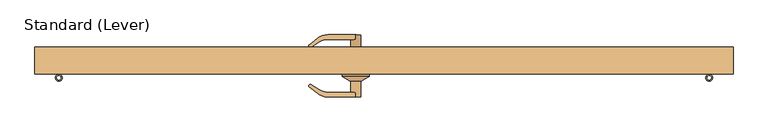
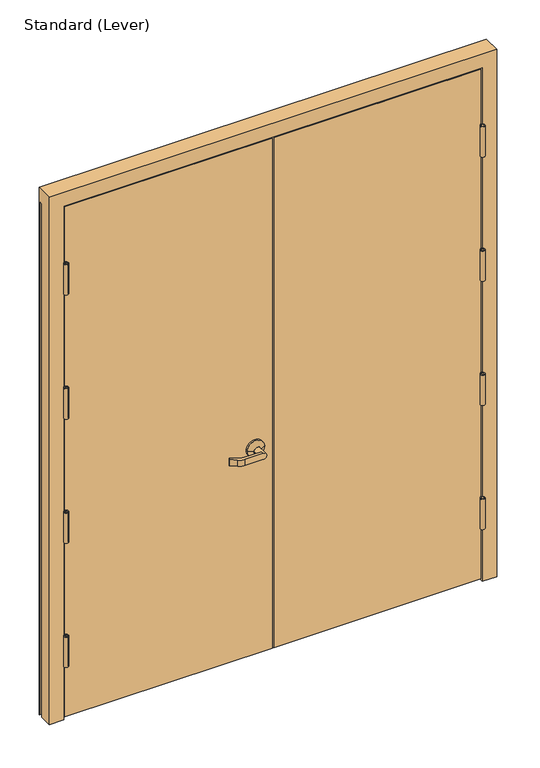
"""IFC4 building model written with IfcOpenShell, lengths in millimetres: door geometry, Standard (Lever)."""

from ifc_helpers import new_model, si_unit, point, frame, frame_2d, origin, place, context, project, spatial, polyline, circle_curve, trimmed, segment, composite_curve, outline, extrude, faceted_brep, source, transform, mapped, element, save
from ifc_brep_helpers import plane_surface, cylinder_surface, revolved_surface, advanced_brep


def standard_lever_46eb6b7c(model_context):
    return source(origin(), model_context, "Body", "SolidModel", [
        extrude(outline(composite_curve([segment(polyline([(909.6375, 7.14375), (912.01875, 7.14375), (912.01875, -35.1565274)]), True, "CONTINUOUS"), segment(trimmed(circle_curve(frame_2d((904.2351957, -35.1565274)), 7.7835543), [point((912.01875, -35.1565274))], [point((907.6729512, -42.1397612))], False, "CARTESIAN"), True, "CONTINUOUS"), segment(trimmed(circle_curve(frame_2d((910.828125, -48.5489767)), 7.14375), [point((907.6729512, -42.1397612))], [point((911.2096421, -41.4154215))], True, "CARTESIAN"), True, "CONTINUOUS"), segment(trimmed(circle_curve(frame_2d((904.2351957, -35.1565274)), 9.3710543), [point((911.2096421, -41.4154215))], [point((912.6857214, -39.2068698))], True, "CARTESIAN"), True, "CONTINUOUS"), segment(trimmed(circle_curve(frame_2d((910.828125, -48.5489767)), 9.525), [point((912.6857214, -39.2068698))], [point((906.6212267, -40.0033561))], False, "CARTESIAN"), True, "CONTINUOUS"), segment(trimmed(circle_curve(frame_2d((904.2351957, -35.1565274)), 5.4023043), [point((906.6212267, -40.0033561))], [point((909.6375, -35.1565274))], True, "CARTESIAN"), True, "CONTINUOUS"), segment(polyline([(909.6375, -35.1565274), (909.6375, 7.14375)]), True, "CONTINUOUS")], self_intersect=False)), frame((0.0, 0.0, 1402.2916667), z_axis=(0.0, 0.0, 1.0), x_axis=(1.0, 0.0, 0.0)), (0.0, 0.0, 1.0), 139.7),
        extrude(outline(composite_curve([segment(polyline([(909.6375, 7.14375), (912.01875, 7.14375), (912.01875, -35.1565274)]), True, "CONTINUOUS"), segment(trimmed(circle_curve(frame_2d((904.2351957, -35.1565274)), 7.7835543), [point((912.01875, -35.1565274))], [point((907.6729512, -42.1397612))], False, "CARTESIAN"), True, "CONTINUOUS"), segment(trimmed(circle_curve(frame_2d((910.828125, -48.5489767)), 7.14375), [point((907.6729512, -42.1397612))], [point((911.2096421, -41.4154215))], True, "CARTESIAN"), True, "CONTINUOUS"), segment(trimmed(circle_curve(frame_2d((904.2351957, -35.1565274)), 9.3710543), [point((911.2096421, -41.4154215))], [point((912.6857214, -39.2068698))], True, "CARTESIAN"), True, "CONTINUOUS"), segment(trimmed(circle_curve(frame_2d((910.828125, -48.5489767)), 9.525), [point((912.6857214, -39.2068698))], [point((906.6212267, -40.0033561))], False, "CARTESIAN"), True, "CONTINUOUS"), segment(trimmed(circle_curve(frame_2d((904.2351957, -35.1565274)), 5.4023043), [point((906.6212267, -40.0033561))], [point((909.6375, -35.1565274))], True, "CARTESIAN"), True, "CONTINUOUS"), segment(polyline([(909.6375, -35.1565274), (909.6375, 7.14375)]), True, "CONTINUOUS")], self_intersect=False)), frame((0.0, 0.0, 828.1458333), z_axis=(0.0, 0.0, 1.0), x_axis=(1.0, 0.0, 0.0)), (0.0, 0.0, 1.0), 139.7),
        extrude(outline(composite_curve([segment(polyline([(909.6375, 7.14375), (912.01875, 7.14375), (912.01875, -35.1565274)]), True, "CONTINUOUS"), segment(trimmed(circle_curve(frame_2d((904.2351957, -35.1565274)), 7.7835543), [point((912.01875, -35.1565274))], [point((907.6729512, -42.1397612))], False, "CARTESIAN"), True, "CONTINUOUS"), segment(trimmed(circle_curve(frame_2d((910.828125, -48.5489767)), 7.14375), [point((907.6729512, -42.1397612))], [point((911.2096421, -41.4154215))], True, "CARTESIAN"), True, "CONTINUOUS"), segment(trimmed(circle_curve(frame_2d((904.2351957, -35.1565274)), 9.3710543), [point((911.2096421, -41.4154215))], [point((912.6857214, -39.2068698))], True, "CARTESIAN"), True, "CONTINUOUS"), segment(trimmed(circle_curve(frame_2d((910.828125, -48.5489767)), 9.525), [point((912.6857214, -39.2068698))], [point((906.6212267, -40.0033561))], False, "CARTESIAN"), True, "CONTINUOUS"), segment(trimmed(circle_curve(frame_2d((904.2351957, -35.1565274)), 5.4023043), [point((906.6212267, -40.0033561))], [point((909.6375, -35.1565274))], True, "CARTESIAN"), True, "CONTINUOUS"), segment(polyline([(909.6375, -35.1565274), (909.6375, 7.14375)]), True, "CONTINUOUS")], self_intersect=False)), frame((0.0, 0.0, 1976.4375), z_axis=(0.0, 0.0, 1.0), x_axis=(1.0, 0.0, 0.0)), (0.0, 0.0, 1.0), 139.7),
        extrude(outline(composite_curve([segment(polyline([(909.6375, 7.14375), (912.01875, 7.14375), (912.01875, -35.1565274)]), True, "CONTINUOUS"), segment(trimmed(circle_curve(frame_2d((904.2351957, -35.1565274)), 7.7835543), [point((912.01875, -35.1565274))], [point((907.6729512, -42.1397612))], False, "CARTESIAN"), True, "CONTINUOUS"), segment(trimmed(circle_curve(frame_2d((910.828125, -48.5489767)), 7.14375), [point((907.6729512, -42.1397612))], [point((911.2096421, -41.4154215))], True, "CARTESIAN"), True, "CONTINUOUS"), segment(trimmed(circle_curve(frame_2d((904.2351957, -35.1565274)), 9.3710543), [point((911.2096421, -41.4154215))], [point((912.6857214, -39.2068698))], True, "CARTESIAN"), True, "CONTINUOUS"), segment(trimmed(circle_curve(frame_2d((910.828125, -48.5489767)), 9.525), [point((912.6857214, -39.2068698))], [point((906.6212267, -40.0033561))], False, "CARTESIAN"), True, "CONTINUOUS"), segment(trimmed(circle_curve(frame_2d((904.2351957, -35.1565274)), 5.4023043), [point((906.6212267, -40.0033561))], [point((909.6375, -35.1565274))], True, "CARTESIAN"), True, "CONTINUOUS"), segment(polyline([(909.6375, -35.1565274), (909.6375, 7.14375)]), True, "CONTINUOUS")], self_intersect=False)), frame((0.0, 0.0, 254.0), z_axis=(0.0, 0.0, 1.0), x_axis=(1.0, 0.0, 0.0)), (0.0, 0.0, 1.0), 139.7),
        extrude(outline(composite_curve([segment(polyline([(-909.6375, 7.14375), (-909.6375, -35.1565274)]), True, "CONTINUOUS"), segment(trimmed(circle_curve(frame_2d((-904.2351957, -35.1565274)), 5.4023043), [point((-909.6375, -35.1565274))], [point((-906.6212267, -40.0033561))], True, "CARTESIAN"), True, "CONTINUOUS"), segment(trimmed(circle_curve(frame_2d((-910.828125, -48.5489767)), 9.525), [point((-906.6212267, -40.0033561))], [point((-912.6857214, -39.2068698))], False, "CARTESIAN"), True, "CONTINUOUS"), segment(trimmed(circle_curve(frame_2d((-904.2351957, -35.1565274)), 9.3710543), [point((-912.6857214, -39.2068698))], [point((-911.2096421, -41.4154215))], True, "CARTESIAN"), True, "CONTINUOUS"), segment(trimmed(circle_curve(frame_2d((-910.828125, -48.5489767)), 7.14375), [point((-911.2096421, -41.4154215))], [point((-907.6729512, -42.1397612))], True, "CARTESIAN"), True, "CONTINUOUS"), segment(trimmed(circle_curve(frame_2d((-904.2351957, -35.1565274)), 7.7835543), [point((-907.6729512, -42.1397612))], [point((-912.01875, -35.1565274))], False, "CARTESIAN"), True, "CONTINUOUS"), segment(polyline([(-912.01875, -35.1565274), (-912.01875, 7.14375), (-909.6375, 7.14375)]), True, "CONTINUOUS")], self_intersect=False)), frame((0.0, 0.0, 1402.2916667), z_axis=(0.0, 0.0, 1.0), x_axis=(1.0, 0.0, 0.0)), (0.0, 0.0, 1.0), 139.7),
        extrude(outline(composite_curve([segment(polyline([(-909.6375, 7.14375), (-909.6375, -35.1565274)]), True, "CONTINUOUS"), segment(trimmed(circle_curve(frame_2d((-904.2351957, -35.1565274)), 5.4023043), [point((-909.6375, -35.1565274))], [point((-906.6212267, -40.0033561))], True, "CARTESIAN"), True, "CONTINUOUS"), segment(trimmed(circle_curve(frame_2d((-910.828125, -48.5489767)), 9.525), [point((-906.6212267, -40.0033561))], [point((-912.6857214, -39.2068698))], False, "CARTESIAN"), True, "CONTINUOUS"), segment(trimmed(circle_curve(frame_2d((-904.2351957, -35.1565274)), 9.3710543), [point((-912.6857214, -39.2068698))], [point((-911.2096421, -41.4154215))], True, "CARTESIAN"), True, "CONTINUOUS"), segment(trimmed(circle_curve(frame_2d((-910.828125, -48.5489767)), 7.14375), [point((-911.2096421, -41.4154215))], [point((-907.6729512, -42.1397612))], True, "CARTESIAN"), True, "CONTINUOUS"), segment(trimmed(circle_curve(frame_2d((-904.2351957, -35.1565274)), 7.7835543), [point((-907.6729512, -42.1397612))], [point((-912.01875, -35.1565274))], False, "CARTESIAN"), True, "CONTINUOUS"), segment(polyline([(-912.01875, -35.1565274), (-912.01875, 7.14375), (-909.6375, 7.14375)]), True, "CONTINUOUS")], self_intersect=False)), frame((0.0, 0.0, 828.1458333), z_axis=(0.0, 0.0, 1.0), x_axis=(1.0, 0.0, 0.0)), (0.0, 0.0, 1.0), 139.7),
        extrude(outline(composite_curve([segment(polyline([(-909.6375, 7.14375), (-909.6375, -35.1565274)]), True, "CONTINUOUS"), segment(trimmed(circle_curve(frame_2d((-904.2351957, -35.1565274)), 5.4023043), [point((-909.6375, -35.1565274))], [point((-906.6212267, -40.0033561))], True, "CARTESIAN"), True, "CONTINUOUS"), segment(trimmed(circle_curve(frame_2d((-910.828125, -48.5489767)), 9.525), [point((-906.6212267, -40.0033561))], [point((-912.6857214, -39.2068698))], False, "CARTESIAN"), True, "CONTINUOUS"), segment(trimmed(circle_curve(frame_2d((-904.2351957, -35.1565274)), 9.3710543), [point((-912.6857214, -39.2068698))], [point((-911.2096421, -41.4154215))], True, "CARTESIAN"), True, "CONTINUOUS"), segment(trimmed(circle_curve(frame_2d((-910.828125, -48.5489767)), 7.14375), [point((-911.2096421, -41.4154215))], [point((-907.6729512, -42.1397612))], True, "CARTESIAN"), True, "CONTINUOUS"), segment(trimmed(circle_curve(frame_2d((-904.2351957, -35.1565274)), 7.7835543), [point((-907.6729512, -42.1397612))], [point((-912.01875, -35.1565274))], False, "CARTESIAN"), True, "CONTINUOUS"), segment(polyline([(-912.01875, -35.1565274), (-912.01875, 7.14375), (-909.6375, 7.14375)]), True, "CONTINUOUS")], self_intersect=False)), frame((0.0, 0.0, 1976.4375), z_axis=(0.0, 0.0, 1.0), x_axis=(1.0, 0.0, 0.0)), (0.0, 0.0, 1.0), 139.7),
        extrude(outline(composite_curve([segment(polyline([(-909.6375, 7.14375), (-909.6375, -35.1565274)]), True, "CONTINUOUS"), segment(trimmed(circle_curve(frame_2d((-904.2351957, -35.1565274)), 5.4023043), [point((-909.6375, -35.1565274))], [point((-906.6212267, -40.0033561))], True, "CARTESIAN"), True, "CONTINUOUS"), segment(trimmed(circle_curve(frame_2d((-910.828125, -48.5489767)), 9.525), [point((-906.6212267, -40.0033561))], [point((-912.6857214, -39.2068698))], False, "CARTESIAN"), True, "CONTINUOUS"), segment(trimmed(circle_curve(frame_2d((-904.2351957, -35.1565274)), 9.3710543), [point((-912.6857214, -39.2068698))], [point((-911.2096421, -41.4154215))], True, "CARTESIAN"), True, "CONTINUOUS"), segment(trimmed(circle_curve(frame_2d((-910.828125, -48.5489767)), 7.14375), [point((-911.2096421, -41.4154215))], [point((-907.6729512, -42.1397612))], True, "CARTESIAN"), True, "CONTINUOUS"), segment(trimmed(circle_curve(frame_2d((-904.2351957, -35.1565274)), 7.7835543), [point((-907.6729512, -42.1397612))], [point((-912.01875, -35.1565274))], False, "CARTESIAN"), True, "CONTINUOUS"), segment(polyline([(-912.01875, -35.1565274), (-912.01875, 7.14375), (-909.6375, 7.14375)]), True, "CONTINUOUS")], self_intersect=False)), frame((0.0, 0.0, 254.0), z_axis=(0.0, 0.0, 1.0), x_axis=(1.0, 0.0, 0.0)), (0.0, 0.0, 1.0), 139.7),
        advanced_brep(
        [(-41.275, 7.14375, 965.2), (-117.475, 7.14375, 965.2), (-117.475, 15.08125, 965.2), (-41.275, 15.08125, 965.2), (-65.0875, 72.23125, 965.2), (-79.375, 72.23125, 950.9125), (-158.1249604, 72.23125, 950.9125), (-158.1249604, 72.23125, 979.4875), (-79.375, 72.23125, 979.4875), (-65.0875, 27.78125, 965.2), (-93.6625, 27.78125, 965.2), (-93.6625, 59.53125, 965.2), (-79.375, 59.53125, 950.9125), (-79.375, 59.53125, 979.4875), (-63.5, 27.78125, 965.2), (-95.25, 27.78125, 965.2), (-154.782228, 59.53125, 979.4875), (-185.7177761, 62.6300523, 979.4875), (-210.0371866, 43.3742682, 979.4875), (-210.2832882, 39.1243463, 979.4875), (-208.2664383, 37.1074964, 979.4875), (-204.9036767, 36.7540559, 979.4875), (-182.449891, 51.3357149, 979.4875), (-154.782228, 59.53125, 950.9125), (-182.449891, 51.3357149, 950.9125), (-204.9036767, 36.7540559, 950.9125), (-208.2664383, 37.1074964, 950.9125), (-210.2832882, 39.1243463, 950.9125), (-210.0371866, 43.3742682, 950.9125), (-185.7177761, 62.6300523, 950.9125)],
        [
            (0, 1, circle_curve(frame((-79.375, 7.14375, 965.2), z_axis=(0.0, -1.0, 0.0), x_axis=(-1.0, 0.0, 0.0)), 38.1)),
            (1, 0, circle_curve(frame((-79.375, 7.14375, 965.2), z_axis=(0.0, -1.0, 0.0), x_axis=(-1.0, 0.0, 0.0)), 38.1)),
            (1, 2),
            (2, 3, circle_curve(frame((-79.375, 15.08125, 965.2), z_axis=(0.0, -1.0, 0.0), x_axis=(-1.0, 0.0, 0.0)), 38.1)),
            (3, 0),
            (3, 2, circle_curve(frame((-79.375, 15.08125, 965.2), z_axis=(0.0, -1.0, 0.0), x_axis=(-1.0, 0.0, 0.0)), 38.1)),
            (4, 5, circle_curve(frame((-79.375, 72.23125, 965.2), z_axis=(0.0, 1.0, 0.0), x_axis=(-1.0, 0.0, 0.0)), 14.2875)),
            (5, 6),
            (6, 7),
            (7, 8),
            (8, 4, circle_curve(frame((-79.375, 72.23125, 965.2), z_axis=(0.0, 1.0, 0.0), x_axis=(-1.0, 0.0, 0.0)), 14.2875)),
            (4, 9),
            (9, 10, circle_curve(frame((-79.375, 27.78125, 965.2), z_axis=(0.0, 1.0, 0.0), x_axis=(-1.0, 0.0, 0.0)), 14.2875)),
            (10, 11),
            (11, 12, circle_curve(frame((-79.375, 59.53125, 965.2), z_axis=(0.0, -1.0, 0.0), x_axis=(-1.0, 0.0, 0.0)), 14.2875)),
            (12, 5),
            (8, 13),
            (13, 11, circle_curve(frame((-79.375, 59.53125, 965.2), z_axis=(0.0, -1.0, 0.0), x_axis=(-1.0, 0.0, 0.0)), 14.2875)),
            (10, 9, circle_curve(frame((-79.375, 27.78125, 965.2), z_axis=(0.0, 1.0, 0.0), x_axis=(-1.0, 0.0, 0.0)), 14.2875)),
            (14, 15, circle_curve(frame((-79.375, 27.78125, 965.2), z_axis=(0.0, 1.0, 0.0), x_axis=(1.0, 0.0, 0.0)), 15.875)),
            (15, 14, circle_curve(frame((-79.375, 27.78125, 965.2), z_axis=(0.0, 1.0, 0.0), x_axis=(-1.0, 0.0, 0.0)), 15.875)),
            (14, 3),
            (2, 15),
            (16, 13),
            (7, 17, circle_curve(frame((-158.1249604, 27.78125, 979.4875), z_axis=(0.0, 0.0, 1.0), x_axis=(-1.0, 0.0, 0.0)), 44.45)),
            (17, 18),
            (18, 19, circle_curve(frame((-208.2679071, 41.1397275, 979.4875), z_axis=(0.0, 0.0, 1.0), x_axis=(-1.0, 0.0, 0.0)), 2.8501794)),
            (19, 20),
            (20, 21, circle_curve(frame((-206.3668262, 39.0071085, 979.4875), z_axis=(0.0, 0.0, 1.0), x_axis=(-1.0, 0.0, 0.0)), 2.6864572)),
            (21, 22),
            (22, 16, circle_curve(frame((-154.782228, 8.73125, 979.4875), z_axis=(0.0, 0.0, -1.0), x_axis=(-1.0, 0.0, 0.0)), 50.8)),
            (23, 24, circle_curve(frame((-154.782228, 8.73125, 950.9125), z_axis=(0.0, 0.0, 1.0), x_axis=(-1.0, 0.0, 0.0)), 50.8)),
            (24, 25),
            (25, 26, circle_curve(frame((-206.3668262, 39.0071085, 950.9125), z_axis=(0.0, 0.0, -1.0), x_axis=(-1.0, 0.0, 0.0)), 2.6864572)),
            (26, 27),
            (27, 28, circle_curve(frame((-208.2679071, 41.1397275, 950.9125), z_axis=(0.0, 0.0, -1.0), x_axis=(-1.0, 0.0, 0.0)), 2.8501794)),
            (28, 29),
            (29, 6, circle_curve(frame((-158.1249604, 27.78125, 950.9125), z_axis=(0.0, 0.0, -1.0), x_axis=(-1.0, 0.0, 0.0)), 44.45)),
            (12, 23),
            (16, 23),
            (29, 17),
            (28, 18),
            (27, 19),
            (26, 20),
            (25, 21),
            (24, 22),
        ],
        [
            plane_surface(frame((-117.475, 7.14375, 965.2), z_axis=(0.0, -1.0, 0.0), x_axis=(0.0, 0.0, -1.0))),
            cylinder_surface(frame((-79.375, 7.14375, 965.2), z_axis=(0.0, 1.0, 0.0), x_axis=(-1.0, 0.0, 0.0)), 38.1),
            plane_surface(frame((-93.6625, 72.23125, 965.2), z_axis=(0.0, 1.0, 0.0), x_axis=(0.0, 0.0, 1.0))),
            cylinder_surface(frame((-79.375, 15.08125, 965.2), z_axis=(0.0, 1.0, 0.0), x_axis=(-1.0, 0.0, 0.0)), 14.2875),
            plane_surface(frame((-79.375, 27.78125, 965.2), z_axis=(0.0, 1.0, 0.0), x_axis=(0.0, 0.0, -1.0))),
            revolved_surface(polyline([(-63.499999970833336, 27.78125, 965.2), (-41.275, 15.08125, 965.2)]), (-79.375, 36.8526786, 965.2), (0.0, -1.0, 0.0)),
            revolved_surface(polyline([(-95.25000002916666, 27.78125, 965.2), (-117.475, 15.08125, 965.2)]), (-79.375, 36.8526786, 965.2), (0.0, -1.0, 0.0)),
            plane_surface(frame((-79.375, 59.53125, 979.4875), z_axis=(0.0, 0.0, 1.0), x_axis=(1.0, 0.0, 0.0))),
            plane_surface(frame((-79.375, 59.53125, 950.9125), z_axis=(0.0, 0.0, -1.0), x_axis=(-1.0, 0.0, 0.0))),
            plane_surface(frame((-154.782228, 59.53125, 979.4875), z_axis=(0.0, -1.0, 0.0), x_axis=(0.0, 0.0, -1.0))),
            cylinder_surface(frame((-158.1249604, 27.78125, 950.9125), z_axis=(0.0, 0.0, 1.0), x_axis=(-1.0, 0.0, 0.0)), 44.45),
            plane_surface(frame((-185.7177761, 62.6300523, 979.4875), z_axis=(-0.6207607591148713, 0.7840000509841367, 0.0), x_axis=(0.0, 0.0, -1.0))),
            cylinder_surface(frame((-208.2679071, 41.1397275, 950.9125), z_axis=(0.0, 0.0, 1.0), x_axis=(-1.0, 0.0, 0.0)), 2.8501794),
            plane_surface(frame((-210.2832882, 39.1243463, 979.4875), z_axis=(-0.7071067811865505, -0.7071067811865446, 0.0), x_axis=(0.0, 0.0, -1.0))),
            cylinder_surface(frame((-206.3668262, 39.0071085, 950.9125), z_axis=(0.0, 0.0, 1.0), x_axis=(-1.0, 0.0, 0.0)), 2.6864572),
            plane_surface(frame((-204.9036767, 36.7540559, 979.4875), z_axis=(0.544639035015027, -0.838670567945424, 0.0), x_axis=(0.0, 0.0, -1.0))),
            revolved_surface(polyline([(-205.582228, 8.73125, 950.9125), (-205.582228, 8.73125, 979.4875)]), (-154.782228, 8.73125, 950.9125), (0.0, 0.0, -1.0)),
        ],
        [
            (0, [[1, 2]]),
            (1, [[-2, 3, 4, 5]]),
            (1, [[-1, -5, 6, -3]]),
            (2, [[7, 8, 9, 10, 11]]),
            (3, [[12, 13, 14, 15, 16, -7]]),
            (3, [[-12, -11, 17, 18, -14, 19]]),
            (4, [[20, 21], [-13, -19]]),
            (5, [[-20, 22, -4, 23]]),
            (6, [[-21, -23, -6, -22]]),
            (7, [[24, -17, -10, 25, 26, 27, 28, 29, 30, 31]]),
            (8, [[32, 33, 34, 35, 36, 37, 38, -8, -16, 39]]),
            (9, [[-24, 40, -39, -15, -18]]),
            (10, [[-25, -9, -38, 41]]),
            (11, [[-26, -41, -37, 42]]),
            (12, [[-27, -42, -36, 43]]),
            (13, [[-28, -43, -35, 44]]),
            (14, [[-29, -44, -34, 45]]),
            (15, [[-30, -45, -33, 46]]),
            (16, [[-31, -46, -32, -40]]),
        ],
    ),
        advanced_brep(
        [(-41.275, -37.30625, 965.2), (-117.475, -37.30625, 965.2), (-41.275, -45.24375, 965.2), (-117.475, -45.24375, 965.2), (-65.0875, -102.39375, 965.2), (-79.375, -102.39375, 979.4875), (-158.1249604, -102.39375, 979.4875), (-158.1249604, -102.39375, 950.9125), (-79.375, -102.39375, 950.9125), (-79.375, -89.69375, 950.9125), (-93.6625, -89.69375, 965.2), (-93.6625, -57.94375, 965.2), (-65.0875, -57.94375, 965.2), (-79.375, -89.69375, 979.4875), (-63.5, -57.94375, 965.2), (-95.25, -57.94375, 965.2), (-154.782228, -89.69375, 979.4875), (-182.449891, -81.4982149, 979.4875), (-204.9036767, -66.9165559, 979.4875), (-208.2664383, -67.2699964, 979.4875), (-210.2832882, -69.2868463, 979.4875), (-210.0371866, -73.5367682, 979.4875), (-185.7177761, -92.7925523, 979.4875), (-154.782228, -89.69375, 950.9125), (-185.7177761, -92.7925523, 950.9125), (-210.0371866, -73.5367682, 950.9125), (-210.2832882, -69.2868463, 950.9125), (-208.2664383, -67.2699964, 950.9125), (-204.9036767, -66.9165559, 950.9125), (-182.449891, -81.4982149, 950.9125)],
        [
            (0, 1, circle_curve(frame((-79.375, -37.30625, 965.2), z_axis=(0.0, 1.0, 0.0), x_axis=(-1.0, 0.0, 0.0)), 38.1)),
            (1, 0, circle_curve(frame((-79.375, -37.30625, 965.2), z_axis=(0.0, 1.0, 0.0), x_axis=(-1.0, 0.0, 0.0)), 38.1)),
            (0, 2),
            (2, 3, circle_curve(frame((-79.375, -45.24375, 965.2), z_axis=(0.0, 1.0, 0.0), x_axis=(-1.0, 0.0, 0.0)), 38.1)),
            (3, 1),
            (3, 2, circle_curve(frame((-79.375, -45.24375, 965.2), z_axis=(0.0, 1.0, 0.0), x_axis=(-1.0, 0.0, 0.0)), 38.1)),
            (4, 5, circle_curve(frame((-79.375, -102.39375, 965.2), z_axis=(0.0, -1.0, 0.0), x_axis=(-1.0, 0.0, 0.0)), 14.2875)),
            (5, 6),
            (6, 7),
            (7, 8),
            (8, 4, circle_curve(frame((-79.375, -102.39375, 965.2), z_axis=(0.0, -1.0, 0.0), x_axis=(-1.0, 0.0, 0.0)), 14.2875)),
            (8, 9),
            (9, 10, circle_curve(frame((-79.375, -89.69375, 965.2), z_axis=(0.0, 1.0, 0.0), x_axis=(-1.0, 0.0, 0.0)), 14.2875)),
            (10, 11),
            (11, 12, circle_curve(frame((-79.375, -57.94375, 965.2), z_axis=(0.0, -1.0, 0.0), x_axis=(-1.0, 0.0, 0.0)), 14.2875)),
            (12, 4),
            (12, 11, circle_curve(frame((-79.375, -57.94375, 965.2), z_axis=(0.0, -1.0, 0.0), x_axis=(-1.0, 0.0, 0.0)), 14.2875)),
            (10, 13, circle_curve(frame((-79.375, -89.69375, 965.2), z_axis=(0.0, 1.0, 0.0), x_axis=(-1.0, 0.0, 0.0)), 14.2875)),
            (13, 5),
            (14, 15, circle_curve(frame((-79.375, -57.94375, 965.2), z_axis=(0.0, -1.0, 0.0), x_axis=(-1.0, 0.0, 0.0)), 15.875)),
            (15, 14, circle_curve(frame((-79.375, -57.94375, 965.2), z_axis=(0.0, -1.0, 0.0), x_axis=(1.0, 0.0, 0.0)), 15.875)),
            (15, 3),
            (2, 14),
            (16, 17, circle_curve(frame((-154.782228, -38.89375, 979.4875), z_axis=(0.0, 0.0, -1.0), x_axis=(-1.0, 0.0, 0.0)), 50.8)),
            (17, 18),
            (18, 19, circle_curve(frame((-206.3668262, -69.1696085, 979.4875), z_axis=(0.0, 0.0, 1.0), x_axis=(-1.0, 0.0, 0.0)), 2.6864572)),
            (19, 20),
            (20, 21, circle_curve(frame((-208.2679071, -71.3022275, 979.4875), z_axis=(0.0, 0.0, 1.0), x_axis=(-1.0, 0.0, 0.0)), 2.8501794)),
            (21, 22),
            (22, 6, circle_curve(frame((-158.1249604, -57.94375, 979.4875), z_axis=(0.0, 0.0, 1.0), x_axis=(-1.0, 0.0, 0.0)), 44.45)),
            (13, 16),
            (23, 9),
            (7, 24, circle_curve(frame((-158.1249604, -57.94375, 950.9125), z_axis=(0.0, 0.0, -1.0), x_axis=(-1.0, 0.0, 0.0)), 44.45)),
            (24, 25),
            (25, 26, circle_curve(frame((-208.2679071, -71.3022275, 950.9125), z_axis=(0.0, 0.0, -1.0), x_axis=(-1.0, 0.0, 0.0)), 2.8501794)),
            (26, 27),
            (27, 28, circle_curve(frame((-206.3668262, -69.1696085, 950.9125), z_axis=(0.0, 0.0, -1.0), x_axis=(-1.0, 0.0, 0.0)), 2.6864572)),
            (28, 29),
            (29, 23, circle_curve(frame((-154.782228, -38.89375, 950.9125), z_axis=(0.0, 0.0, 1.0), x_axis=(-1.0, 0.0, 0.0)), 50.8)),
            (23, 16),
            (22, 24),
            (21, 25),
            (20, 26),
            (19, 27),
            (18, 28),
            (17, 29),
        ],
        [
            plane_surface(frame((-117.475, -37.30625, 965.2), z_axis=(0.0, 1.0, 0.0), x_axis=(0.0, 0.0, -1.0))),
            cylinder_surface(frame((-79.375, -37.30625, 965.2), z_axis=(0.0, -1.0, 0.0), x_axis=(-1.0, 0.0, 0.0)), 38.1),
            plane_surface(frame((-93.6625, -102.39375, 965.2), z_axis=(0.0, -1.0, 0.0), x_axis=(0.0, 0.0, 1.0))),
            cylinder_surface(frame((-79.375, -45.24375, 965.2), z_axis=(0.0, -1.0, 0.0), x_axis=(-1.0, 0.0, 0.0)), 14.2875),
            plane_surface(frame((-79.375, -57.94375, 965.2), z_axis=(0.0, -1.0, 0.0), x_axis=(0.0, 0.0, -1.0))),
            revolved_surface(polyline([(-95.25000002916666, -57.94375, 965.2), (-117.475, -45.24375, 965.2)]), (-79.375, -67.0151786, 965.2), (0.0, 1.0, 0.0)),
            revolved_surface(polyline([(-63.499999970833336, -57.94375, 965.2), (-41.275, -45.24375, 965.2)]), (-79.375, -67.0151786, 965.2), (0.0, 1.0, 0.0)),
            plane_surface(frame((-79.375, -89.69375, 979.4875), z_axis=(0.0, 0.0, 1.0), x_axis=(1.0, 0.0, 0.0))),
            plane_surface(frame((-79.375, -89.69375, 950.9125), z_axis=(0.0, 0.0, -1.0), x_axis=(-1.0, 0.0, 0.0))),
            plane_surface(frame((-154.782228, -89.69375, 979.4875), z_axis=(0.0, 1.0, 0.0), x_axis=(0.0, 0.0, -1.0))),
            cylinder_surface(frame((-158.1249604, -57.94375, 950.9125), z_axis=(0.0, 0.0, 1.0), x_axis=(-1.0, 0.0, 0.0)), 44.45),
            plane_surface(frame((-185.7177761, -92.7925523, 979.4875), z_axis=(-0.6207607591148713, -0.7840000509841367, 0.0), x_axis=(0.0, 0.0, -1.0))),
            cylinder_surface(frame((-208.2679071, -71.3022275, 950.9125), z_axis=(0.0, 0.0, 1.0), x_axis=(-1.0, 0.0, 0.0)), 2.8501794),
            plane_surface(frame((-210.2832882, -69.2868463, 979.4875), z_axis=(-0.7071067811865505, 0.7071067811865446, 0.0), x_axis=(0.0, 0.0, -1.0))),
            cylinder_surface(frame((-206.3668262, -69.1696085, 950.9125), z_axis=(0.0, 0.0, 1.0), x_axis=(-1.0, 0.0, 0.0)), 2.6864572),
            plane_surface(frame((-204.9036767, -66.9165559, 979.4875), z_axis=(0.544639035015027, 0.838670567945424, 0.0), x_axis=(0.0, 0.0, -1.0))),
            revolved_surface(polyline([(-205.582228, -38.89375, 950.9125), (-205.582228, -38.89375, 979.4875)]), (-154.782228, -38.89375, 950.9125), (0.0, 0.0, -1.0)),
        ],
        [
            (0, [[1, 2]]),
            (1, [[3, 4, 5, -1]]),
            (1, [[-5, 6, -3, -2]]),
            (2, [[7, 8, 9, 10, 11]]),
            (3, [[-11, 12, 13, 14, 15, 16]]),
            (3, [[17, -14, 18, 19, -7, -16]]),
            (4, [[20, 21], [-17, -15]]),
            (5, [[22, -4, 23, -21]]),
            (6, [[-23, -6, -22, -20]]),
            (7, [[24, 25, 26, 27, 28, 29, 30, -8, -19, 31]]),
            (8, [[32, -12, -10, 33, 34, 35, 36, 37, 38, 39]]),
            (9, [[-18, -13, -32, 40, -31]]),
            (10, [[41, -33, -9, -30]]),
            (11, [[42, -34, -41, -29]]),
            (12, [[43, -35, -42, -28]]),
            (13, [[44, -36, -43, -27]]),
            (14, [[45, -37, -44, -26]]),
            (15, [[46, -38, -45, -25]]),
            (16, [[-40, -39, -46, -24]]),
        ],
    ),
        extrude(outline(polyline([(909.6375, 7.14375), (909.6375, -37.30625), (3.175, -37.30625), (3.175, 7.14375), (909.6375, 7.14375)])), frame((0.0, 0.0, 12.7), z_axis=(0.0, 0.0, 1.0), x_axis=(1.0, 0.0, 0.0)), (0.0, 0.0, 1.0), 2357.4375),
        extrude(outline(polyline([(-3.175, 7.14375), (-3.175, -37.30625), (-909.6375, -37.30625), (-909.6375, 7.14375), (-3.175, 7.14375)])), frame((0.0, 0.0, 12.7), z_axis=(0.0, 0.0, 1.0), x_axis=(1.0, 0.0, 0.0)), (0.0, 0.0, 1.0), 2357.4375),
        faceted_brep([(977.9, 36.5125, 0.0), (977.9, 38.1, 0.0), (977.9, 38.1, 2438.4), (977.9, -38.1, 2438.4), (977.9, -38.1, 0.0), (977.9, 19.0500031, 0.0), (977.9, 19.0500031, 2374.9), (977.9, 36.5125, 2374.9), (976.3124977, 36.5125, 0.0), (976.3124977, 36.5125, 2374.9), (914.4, 12.7, 0.0), (909.6375, 12.7, 0.0), (909.6375, 9.525, 0.0), (907.25625, 9.525, 0.0), (907.25625, 10.31875, 0.0), (908.05, 10.31875, 0.0), (908.05, 12.7, 0.0), (901.7, 12.7, 0.0), (901.7, 10.31875, 0.0), (902.49375, 10.31875, 0.0), (902.49375, 9.525, 0.0), (900.1125, 9.525, 0.0), (900.1125, 14.2875, 0.0), (914.4, 14.2875, 0.0), (914.4, 38.1, 0.0), (976.3124977, 37.30625, 0.0), (946.15, 37.30625, 0.0), (946.15, 19.05, 0.0), (967.5742434, 19.05, 0.0), (968.574256, 18.0499874, 0.0), (967.0000186, 18.0499874, 0.0), (967.0000186, 16.24994, 0.0), (972.0000134, 16.24994, 0.0), (972.0000134, 18.0499874, 0.0), (970.4257405, 18.0499874, 0.0), (971.4257562, 19.0500031, 0.0), (914.4, -38.1, 0.0), (-977.8999977, 38.1, 0.0), (-977.9, 38.1, 2438.4), (914.4, 38.1, 2374.9), (-914.4, 38.1, 2374.9), (-914.4, 38.1, 0.0), (-977.9, -38.1, 2438.4), (-977.9, -38.1, 0.0), (-914.4, -38.1, 0.0), (-914.4, -38.1, 2374.9), (914.4, -38.1, 2374.9), (971.4257562, 19.0500031, 2374.9), (-914.4, 12.7, 0.0), (-977.9, 19.0500031, 0.0), (-971.4257562, 19.0500031, 0.0), (-970.4257405, 18.0499874, 0.0), (-972.0000134, 18.0499874, 0.0), (-972.0000134, 16.24994, 0.0), (-967.0000186, 16.24994, 0.0), (-967.0000186, 18.0499874, 0.0), (-968.574256, 18.0499874, 0.0), (-967.5742434, 19.05, 0.0), (-946.15, 19.05, 0.0), (-946.15, 37.30625, 0.0), (-976.3124977, 37.30625, 0.0), (-976.3124977, 36.5125, 0.0), (-977.8999977, 36.5125, 0.0), (-914.4, 14.2875, 0.0), (-900.1125, 14.2875, 0.0), (-900.1125, 9.525, 0.0), (-902.49375, 9.525, 0.0), (-902.49375, 10.31875, 0.0), (-901.7, 10.31875, 0.0), (-901.7, 12.7, 0.0), (-908.05, 12.7, 0.0), (-908.05, 10.31875, 0.0), (-907.25625, 10.31875, 0.0), (-907.25625, 9.525, 0.0), (-909.6375, 9.525, 0.0), (-909.6375, 12.7, 0.0), (-977.9, 36.5125, 2374.9), (-977.9, 19.0500031, 2374.9), (-976.3124977, 36.5125, 2374.9), (-971.4257562, 19.0500031, 2374.9), (914.4, 12.7, 2374.9), (914.4, 12.7, 2370.1375), (914.4, 9.525, 2370.1375), (914.4, 9.525, 2367.75625), (914.4, 10.31875, 2367.75625), (914.4, 10.31875, 2368.55), (914.4, 12.7, 2368.55), (914.4, 12.7, 2362.2), (914.4, 10.31875, 2362.2), (914.4, 10.31875, 2362.99375), (914.4, 9.525, 2362.99375), (914.4, 9.525, 2360.6125), (914.4, 12.7, 2360.6125), (-914.4, 12.7, 2360.6125), (-914.4, 9.525, 2360.6125), (-914.4, 9.525, 2362.99375), (-914.4, 10.31875, 2362.99375), (-914.4, 10.31875, 2362.2), (-914.4, 12.7, 2362.2), (-914.4, 12.7, 2368.55), (-914.4, 10.31875, 2368.55), (-914.4, 10.31875, 2367.75625), (-914.4, 9.525, 2367.75625), (-914.4, 9.525, 2370.1375), (-914.4, 12.7, 2370.1375), (-914.4, 12.7, 2374.9), (976.3124977, 37.30625, 2374.9), (946.15, 37.30625, 2374.9), (946.15, 19.05, 2374.9), (967.5742434, 19.05, 2374.9), (968.574256, 18.0499874, 2374.9), (967.0000186, 18.0499874, 2374.9), (967.0000186, 16.24994, 2374.9), (972.0000134, 16.24994, 2374.9), (972.0000134, 18.0499874, 2374.9), (970.4257405, 18.0499874, 2374.9), (-970.4257405, 18.0499874, 2374.9), (-972.0000134, 18.0499874, 2374.9), (-972.0000134, 16.24994, 2374.9), (-967.0000186, 16.24994, 2374.9), (-967.0000186, 18.0499874, 2374.9), (-968.574256, 18.0499874, 2374.9), (-967.5742434, 19.05, 2374.9), (-946.15, 19.05, 2374.9), (-946.15, 37.30625, 2374.9), (-976.3124977, 37.30625, 2374.9), (914.4, 14.2875, 2374.9), (-914.4, 14.2875, 2374.9), (909.6375, 12.7, 2360.6125), (909.6375, 9.525, 2360.6125), (909.6375, 9.525, 2367.75625), (909.6375, 9.525, 2362.99375), (909.6375, 10.31875, 2362.99375), (909.6375, 10.31875, 2362.2), (909.6375, 12.7, 2362.2), (909.6375, 12.7, 2368.55), (909.6375, 10.31875, 2368.55), (909.6375, 10.31875, 2367.75625), (909.6375, 9.525, 2374.9), (909.6375, 9.525, 2370.1375), (909.6375, 12.7, 2370.1375), (909.6375, 12.7, 2374.9), (907.25625, 9.525, 2374.9), (907.25625, 9.525, 2370.1375), (902.49375, 9.525, 2370.1375), (902.49375, 9.525, 2374.9), (900.1125, 9.525, 2374.9), (900.1125, 9.525, 2370.1375), (-900.1125, 9.525, 2370.1375), (-900.1125, 9.525, 2374.9), (-902.49375, 9.525, 2374.9), (-902.49375, 9.525, 2370.1375), (-907.25625, 9.525, 2370.1375), (-907.25625, 9.525, 2374.9), (-909.6375, 9.525, 2374.9), (-909.6375, 9.525, 2370.1375), (-909.6375, 9.525, 2367.75625), (-909.6375, 9.525, 2362.99375), (-909.6375, 9.525, 2360.6125), (-907.25625, 9.525, 2360.6125), (-902.49375, 9.525, 2360.6125), (-900.1125, 9.525, 2360.6125), (900.1125, 9.525, 2360.6125), (902.49375, 9.525, 2360.6125), (907.25625, 9.525, 2360.6125), (902.49375, 9.525, 2367.75625), (907.25625, 9.525, 2367.75625), (907.25625, 9.525, 2362.99375), (902.49375, 9.525, 2362.99375), (900.1125, 9.525, 2362.99375), (-900.1125, 9.525, 2362.99375), (-900.1125, 9.525, 2367.75625), (900.1125, 9.525, 2367.75625), (-902.49375, 9.525, 2362.99375), (-907.25625, 9.525, 2362.99375), (-907.25625, 9.525, 2367.75625), (-902.49375, 9.525, 2367.75625), (907.25625, 10.31875, 2360.6125), (907.25625, 10.31875, 2367.75625), (907.25625, 10.31875, 2362.99375), (907.25625, 10.31875, 2374.9), (907.25625, 10.31875, 2370.1375), (908.05, 10.31875, 2360.6125), (901.7, 10.31875, 2360.6125), (902.49375, 10.31875, 2360.6125), (-902.49375, 10.31875, 2360.6125), (-901.7, 10.31875, 2360.6125), (-908.05, 10.31875, 2360.6125), (-907.25625, 10.31875, 2360.6125), (-909.6375, 10.31875, 2367.75625), (-909.6375, 10.31875, 2368.55), (902.49375, 10.31875, 2374.9), (902.49375, 10.31875, 2370.1375), (901.7, 10.31875, 2370.1375), (901.7, 10.31875, 2374.9), (908.05, 10.31875, 2374.9), (908.05, 10.31875, 2370.1375), (900.1125, 10.31875, 2368.55), (900.1125, 10.31875, 2367.75625), (-900.1125, 10.31875, 2367.75625), (-900.1125, 10.31875, 2368.55), (900.1125, 10.31875, 2362.99375), (900.1125, 10.31875, 2362.2), (-900.1125, 10.31875, 2362.2), (-900.1125, 10.31875, 2362.99375), (908.05, 10.31875, 2368.55), (908.05, 10.31875, 2362.2), (901.7, 10.31875, 2362.2), (901.7, 10.31875, 2368.55), (902.49375, 10.31875, 2367.75625), (902.49375, 10.31875, 2362.99375), (-909.6375, 10.31875, 2362.2), (-909.6375, 10.31875, 2362.99375), (-902.49375, 10.31875, 2370.1375), (-902.49375, 10.31875, 2374.9), (-901.7, 10.31875, 2374.9), (-901.7, 10.31875, 2370.1375), (-908.05, 10.31875, 2370.1375), (-908.05, 10.31875, 2374.9), (-907.25625, 10.31875, 2374.9), (-907.25625, 10.31875, 2370.1375), (-901.7, 10.31875, 2362.2), (-908.05, 10.31875, 2362.2), (-908.05, 10.31875, 2368.55), (-901.7, 10.31875, 2368.55), (-902.49375, 10.31875, 2367.75625), (-907.25625, 10.31875, 2367.75625), (-907.25625, 10.31875, 2362.99375), (-902.49375, 10.31875, 2362.99375), (908.05, 12.7, 2360.6125), (908.05, 12.7, 2374.9), (908.05, 12.7, 2370.1375), (908.05, 12.7, 2368.55), (908.05, 12.7, 2362.2), (901.7, 12.7, 2360.6125), (901.7, 12.7, 2370.1375), (901.7, 12.7, 2374.9), (901.7, 12.7, 2368.55), (901.7, 12.7, 2362.2), (900.1125, 14.2875, 2360.6125), (900.1125, 12.7, 2374.9), (900.1125, 12.7, 2370.1375), (900.1125, 12.7, 2368.55), (900.1125, 12.7, 2362.2), (-900.1125, 14.2875, 2360.6125), (-900.1125, 12.7, 2370.1375), (-900.1125, 12.7, 2374.9), (-900.1125, 12.7, 2362.2), (-900.1125, 12.7, 2368.55), (-901.7, 12.7, 2360.6125), (-901.7, 12.7, 2374.9), (-901.7, 12.7, 2370.1375), (-901.7, 12.7, 2368.55), (-901.7, 12.7, 2362.2), (-908.05, 12.7, 2360.6125), (-908.05, 12.7, 2370.1375), (-908.05, 12.7, 2374.9), (-908.05, 12.7, 2362.2), (-908.05, 12.7, 2368.55), (-909.6375, 12.7, 2360.6125), (-909.6375, 12.7, 2374.9), (-909.6375, 12.7, 2370.1375), (-909.6375, 12.7, 2368.55), (-909.6375, 12.7, 2362.2)], [[[0, 1, 2, 3, 4, 5, 6, 7]], [[8, 0, 7, 9]], [[10, 11, 12, 13, 14, 15, 16, 17, 18, 19, 20, 21, 22, 23, 24, 1, 0, 8, 25, 26, 27, 28, 29, 30, 31, 32, 33, 34, 35, 5, 4, 36]], [[37, 38, 2, 1, 24, 39, 40, 41]], [[42, 43, 44, 45, 46, 36, 4, 3]], [[5, 35, 47, 6]], [[48, 44, 43, 49, 50, 51, 52, 53, 54, 55, 56, 57, 58, 59, 60, 61, 62, 37, 41, 63, 64, 65, 66, 67, 68, 69, 70, 71, 72, 73, 74, 75]], [[37, 62, 76, 77, 49, 43, 42, 38]], [[62, 61, 78, 76]], [[50, 49, 77, 79]], [[10, 36, 46, 80, 81, 82, 83, 84, 85, 86, 87, 88, 89, 90, 91, 92]], [[44, 48, 93, 94, 95, 96, 97, 98, 99, 100, 101, 102, 103, 104, 105, 45]], [[25, 8, 9, 106]], [[26, 25, 106, 107]], [[27, 26, 107, 108]], [[28, 27, 108, 109]], [[29, 28, 109, 110]], [[30, 29, 110, 111]], [[31, 30, 111, 112]], [[32, 31, 112, 113]], [[33, 32, 113, 114]], [[34, 33, 114, 115]], [[35, 34, 115, 47]], [[51, 50, 79, 116]], [[52, 51, 116, 117]], [[53, 52, 117, 118]], [[54, 53, 118, 119]], [[55, 54, 119, 120]], [[56, 55, 120, 121]], [[57, 56, 121, 122]], [[58, 57, 122, 123]], [[59, 58, 123, 124]], [[60, 59, 124, 125]], [[61, 60, 125, 78]], [[42, 3, 2, 38]], [[7, 6, 47, 115, 114, 113, 112, 111, 110, 109, 108, 107, 106, 9]], [[39, 126, 127, 40]], [[77, 76, 78, 125, 124, 123, 122, 121, 120, 119, 118, 117, 116, 79]], [[24, 23, 126, 39]], [[127, 63, 41, 40]], [[11, 10, 92, 128]], [[12, 11, 128, 129]], [[130, 131, 132, 133, 134, 135, 136, 137]], [[138, 139, 140, 141]], [[13, 12, 129, 91, 90, 131, 130, 83, 82, 139, 138, 142, 143, 144, 145, 146, 147, 148, 149, 150, 151, 152, 153, 154, 155, 103, 102, 156, 157, 95, 94, 158, 74, 73, 159, 160, 66, 65, 161, 162, 21, 20, 163, 164], [165, 166, 167, 168], [169, 170, 171, 172], [173, 174, 175, 176]], [[14, 13, 164, 177]], [[178, 179, 167, 166]], [[180, 181, 143, 142]], [[15, 14, 177, 182]], [[19, 18, 183, 184]], [[68, 67, 185, 186]], [[72, 71, 187, 188]], [[84, 137, 136, 85]], [[189, 101, 100, 190]], [[88, 133, 132, 89]], [[191, 192, 193, 194]], [[195, 196, 181, 180]], [[197, 198, 199, 200]], [[201, 202, 203, 204]], [[205, 206, 207, 208], [178, 209, 210, 179]], [[211, 97, 96, 212]], [[213, 214, 215, 216]], [[217, 218, 219, 220]], [[221, 222, 223, 224], [225, 226, 227, 228]], [[16, 15, 182, 229]], [[196, 195, 230, 231]], [[205, 232, 233, 206]], [[17, 16, 229, 234]], [[18, 17, 234, 183]], [[194, 193, 235, 236]], [[237, 208, 207, 238]], [[20, 19, 184, 163]], [[145, 144, 192, 191]], [[210, 209, 165, 168]], [[22, 21, 162, 239]], [[147, 146, 240, 241]], [[169, 172, 198, 197, 242, 243, 202, 201]], [[23, 22, 239, 244, 64, 63, 127, 126]], [[65, 64, 244, 161]], [[149, 148, 245, 246]], [[171, 170, 204, 203, 247, 248, 200, 199]], [[67, 66, 160, 185]], [[151, 150, 214, 213]], [[173, 176, 225, 228]], [[69, 68, 186, 249]], [[216, 215, 250, 251]], [[221, 224, 252, 253]], [[70, 69, 249, 254]], [[71, 70, 254, 187]], [[218, 217, 255, 256]], [[223, 222, 257, 258]], [[73, 72, 188, 159]], [[175, 174, 227, 226]], [[220, 219, 153, 152]], [[75, 74, 158, 259]], [[155, 154, 260, 261]], [[157, 156, 189, 190, 262, 263, 211, 212]], [[48, 75, 259, 93]], [[236, 230, 195, 180, 142, 138, 141, 80, 46, 45, 105, 260, 154, 153, 219, 218, 256, 250, 215, 214, 150, 149, 246, 240, 146, 145, 191, 194]], [[230, 236, 235, 231]], [[80, 141, 140, 81]], [[260, 105, 104, 261]], [[250, 256, 255, 251]], [[241, 240, 246, 245]], [[231, 235, 193, 192, 144, 143, 181, 196]], [[81, 140, 139, 82]], [[251, 255, 217, 220, 152, 151, 213, 216]], [[261, 104, 103, 155]], [[147, 241, 245, 148]], [[83, 130, 137, 84]], [[156, 102, 101, 189]], [[166, 165, 209, 178]], [[176, 175, 226, 225]], [[198, 172, 171, 199]], [[85, 136, 135, 86]], [[190, 100, 99, 262]], [[224, 223, 258, 252]], [[237, 232, 205, 208]], [[242, 197, 200, 248]], [[86, 135, 134, 87]], [[232, 237, 238, 233]], [[262, 99, 98, 263]], [[252, 258, 257, 253]], [[243, 242, 248, 247]], [[97, 211, 263, 98]], [[222, 221, 253, 257]], [[233, 238, 207, 206]], [[87, 134, 133, 88]], [[202, 243, 247, 203]], [[95, 157, 212, 96]], [[174, 173, 228, 227]], [[179, 210, 168, 167]], [[89, 132, 131, 90]], [[169, 201, 204, 170]], [[91, 129, 128, 92]], [[158, 94, 93, 259]], [[160, 159, 188, 187, 254, 249, 186, 185]], [[164, 163, 184, 183, 234, 229, 182, 177]], [[239, 162, 161, 244]]]),
    ])


if __name__ == "__main__":
    model = new_model("IFC4")
    model_context = context("Model", 3, world=origin())
    ifc_project = project(units=[si_unit("LENGTHUNIT", "METRE", prefix="MILLI")], contexts=[model_context])
    site = spatial("IfcSite", under=ifc_project)
    building = spatial("IfcBuilding", under=site)
    placement = place(None, origin())
    standard_lever_shape = standard_lever_46eb6b7c(model_context)
    element("IfcDoor", 1, ObjectType="Standard (Lever)", at=placement, inside=building, context=model_context, shape_type="MappedRepresentation", body=[
        mapped(standard_lever_shape, transform((0.0, 0.0, 0.0), x_axis=(1.0, 0.0, 0.0), y_axis=(0.0, 1.0, 0.0), z_axis=(0.0, 0.0, 1.0))),
    ])
    save(model, "model.ifc")
